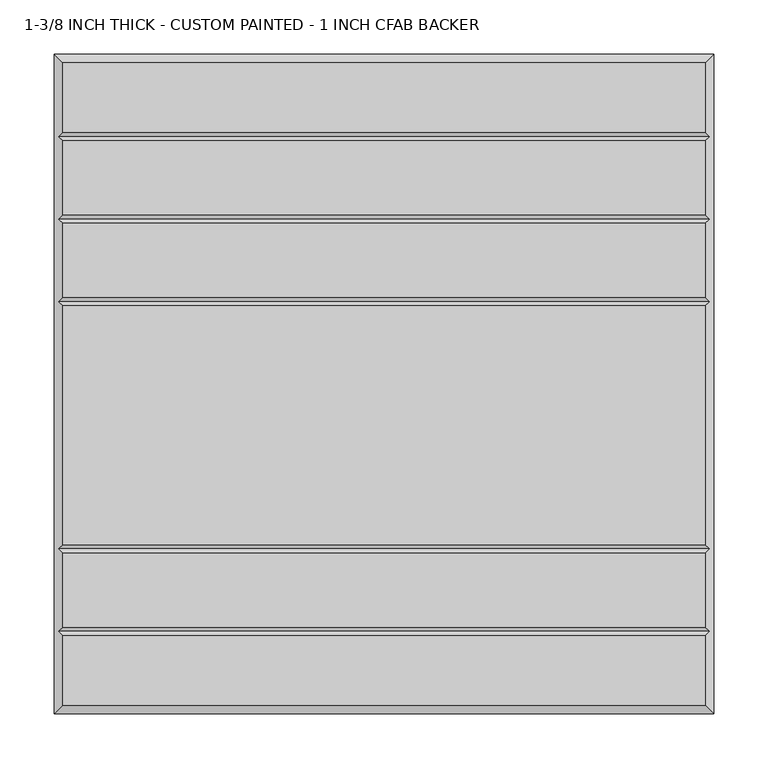
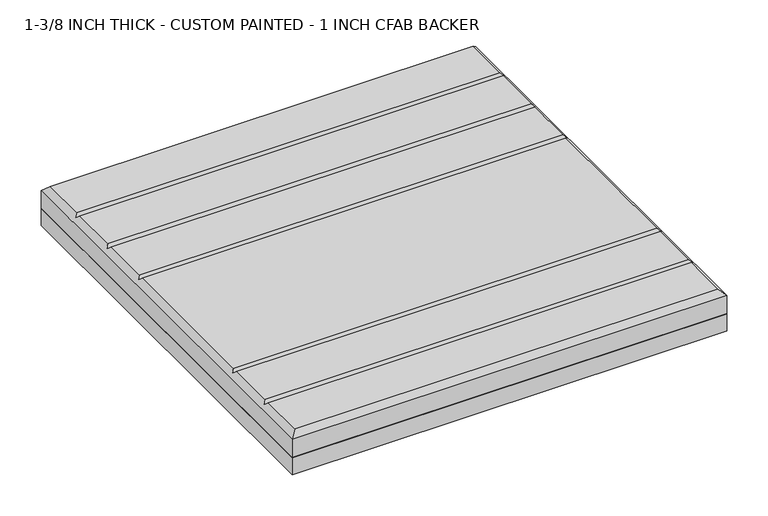
"""IFC4 building model written with IfcOpenShell, lengths in millimetres: proxy geometry, 1-3/8 INCH THICK - CUSTOM PAINTED - 1 INCH CFAB BACKER."""

from ifc_helpers import new_model, si_unit, frame, origin, place, context, project, spatial, polyline, outline, extrude, faceted_brep, source, transform, mapped, element, save


def proxy_1_3_8_inch_thick_custom_painted_1_inch_cfab_backer_3c562cfb(model_context):
    return source(origin(), model_context, "Body", "SolidModel", [
        extrude(outline(polyline([(-304.8, 304.8), (304.8, 304.8), (304.8, -304.8), (-304.8, -304.8), (-304.8, 304.8)])), frame((0.0, 0.0, -25.4), z_axis=(0.0, 0.0, 1.0), x_axis=(1.0, 0.0, 0.0)), (0.0, 0.0, 1.0), 25.4),
        faceted_brep([(296.799, 296.799, 34.925), (-296.799, 296.799, 34.925), (-296.799, 232.6005, 34.925), (296.799, 232.6005, 34.925), (-296.799, -296.799, 34.925), (296.799, -296.799, 34.925), (296.799, -232.6005, 34.925), (-296.799, -232.6005, 34.925), (296.799, 148.3995, 34.925), (-296.799, 148.3995, 34.925), (-296.799, 80.2005, 34.925), (296.799, 80.2005, 34.925), (-296.799, 156.4005, 34.925), (296.799, 156.4005, 34.925), (296.799, 224.5995, 34.925), (-296.799, 224.5995, 34.925), (296.799, 72.1995, 34.925), (-296.799, 72.1995, 34.925), (-296.799, -148.3995, 34.925), (296.799, -148.3995, 34.925), (296.799, -156.4005, 34.925), (-296.799, -156.4005, 34.925), (-296.799, -224.5995, 34.925), (296.799, -224.5995, 34.925), (-304.8, 304.8, 0.0), (304.8, 304.8, 0.0), (304.8, -304.8, 0.0), (-304.8, -304.8, 0.0), (-304.8, -304.8, 26.924), (-304.8, 304.8, 26.924), (304.8, -304.8, 26.924), (304.8, 304.8, 26.924), (-300.7995, -228.6, 30.9245), (-300.7995, -152.4, 30.9245), (-300.7995, 76.2, 30.9245), (-300.7995, 152.4, 30.9245), (-300.7995, 228.6, 30.9245), (300.7995, 228.6, 30.9245), (300.7995, 152.4, 30.9245), (300.7995, 76.2, 30.9245), (300.7995, -152.4, 30.9245), (300.7995, -228.6, 30.9245)], [[[0, 1, 2, 3]], [[4, 5, 6, 7]], [[8, 9, 10, 11]], [[12, 13, 14, 15]], [[16, 17, 18, 19]], [[20, 21, 22, 23]], [[24, 25, 26, 27]], [[24, 27, 28, 29]], [[27, 26, 30, 28]], [[26, 25, 31, 30]], [[25, 24, 29, 31]], [[29, 1, 0, 31]], [[1, 29, 28, 4, 7, 32, 22, 21, 33, 18, 17, 34, 10, 9, 35, 12, 15, 36, 2]], [[4, 28, 30, 5]], [[31, 0, 3, 37, 14, 13, 38, 8, 11, 39, 16, 19, 40, 20, 23, 41, 6, 5, 30]], [[38, 35, 9, 8]], [[35, 38, 13, 12]], [[39, 34, 17, 16]], [[34, 39, 11, 10]], [[40, 33, 21, 20]], [[33, 40, 19, 18]], [[41, 32, 7, 6]], [[32, 41, 23, 22]], [[37, 36, 15, 14]], [[36, 37, 3, 2]]]),
    ])


if __name__ == "__main__":
    model = new_model("IFC4")
    model_context = context("Model", 3, world=origin())
    ifc_project = project(units=[si_unit("LENGTHUNIT", "METRE", prefix="MILLI")], contexts=[model_context])
    site = spatial("IfcSite", under=ifc_project)
    building = spatial("IfcBuilding", under=site)
    placement = place(None, origin())
    proxy_1_3_8_inch_thick_custom_painted_1_inch_cfab_backer_shape = proxy_1_3_8_inch_thick_custom_painted_1_inch_cfab_backer_3c562cfb(model_context)
    element("IfcBuildingElementProxy", 1, Name="1-3/8 INCH THICK - CUSTOM PAINTED - 1 INCH CFAB BACKER", ObjectType="1-3/8 INCH THICK - CUSTOM PAINTED - 1 INCH CFAB BACKER", at=placement, inside=building, context=model_context, shape_type="MappedRepresentation", body=[
        mapped(proxy_1_3_8_inch_thick_custom_painted_1_inch_cfab_backer_shape, transform((0.0, 0.0, 0.0), x_axis=(1.0, 0.0, 0.0), y_axis=(0.0, 1.0, 0.0), z_axis=(0.0, 0.0, 1.0))),
    ])
    save(model, "model.ifc")
